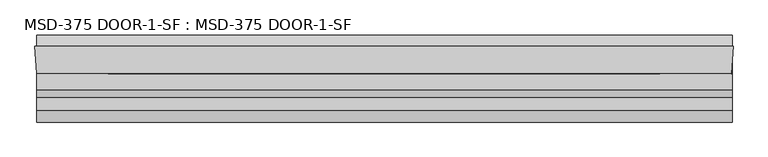
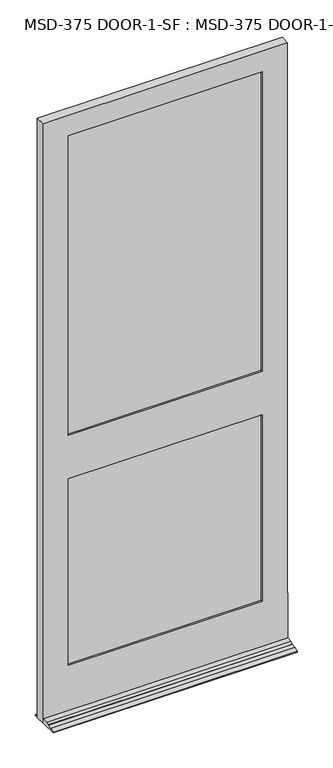
"""IFC4 building model written with IfcOpenShell, lengths in millimetres: plate geometry, MSD-375 DOOR-1-SF : MSD-375 DOOR-1-SF."""

from ifc_helpers import new_model, si_unit, frame, origin, place, context, project, spatial, polyline, outline, extrude, faceted_brep, source, transform, mapped, element, save


def msd_375_door_1_sf_msd_375_door_1_sf_599fe307(model_context):
    return source(origin(), model_context, "Body", "SolidModel", [
        faceted_brep([(570.0312544, 1.8752528, 0.0), (571.4351971, 1.8752528, 0.0), (570.0312544, -20.6651106, 0.0), (570.0312544, -121.9497472, 0.0), (-575.0812644, -121.9497472, 0.0), (-575.0812644, -42.5747472, 0.0), (-577.8498644, 1.8752528, 0.0), (-575.0812644, 1.8752528, 0.0), (-575.0812644, 20.9252528, 0.0), (570.0312544, 20.9252528, 0.0), (570.0312544, -35.1325472, 226.2251), (570.0312544, -35.1325472, 246.0625), (570.0312544, -42.5747472, 246.0625), (570.0312544, -42.5747472, 21.4376), (570.0312544, -68.4446472, 21.4376), (570.0312544, -80.8652472, 14.2748), (570.0312544, -80.8652472, 12.7), (570.0312544, -102.8997472, 12.7), (570.0312544, -121.9497472, 3.175), (570.0312544, -20.6651106, 226.2251), (570.0312544, 20.9252528, 3.175), (570.0312544, 1.8752528, 12.7), (-575.0812644, 1.8752528, 12.7), (-575.0812644, 20.9252528, 3.175), (-575.0812644, -121.9497472, 3.175), (-575.0812644, -102.8997472, 12.7), (-575.0812644, -80.8652472, 12.7), (-575.0812644, -80.8652472, 14.2748), (-575.0812644, -68.4446472, 21.4376), (-575.0812644, -42.5747472, 21.4376), (571.4351971, 1.8752528, 2971.7168046), (-577.8498644, 1.8752528, 2971.7168046), (-457.1998644, 1.8752528, 1169.9748), (-457.1998644, 1.8752528, 246.0625), (450.7851971, 1.8752528, 246.0625), (450.7851971, 1.8752528, 1169.9748), (450.7851971, 1.8752528, 2870.1168046), (-457.1998644, 1.8752528, 2870.1168046), (-457.1998644, 1.8752528, 1385.8748), (450.7851971, 1.8752528, 1385.8748), (450.7851971, -9.7325472, 2870.1168046), (-457.1998644, -9.7325472, 2870.1168046), (470.6225971, -9.7325472, 1189.8249), (-477.0372644, -9.7325472, 1189.8249), (-477.0372644, -9.7325472, 226.2251), (470.6225971, -9.7325472, 226.2251), (-457.1998644, -9.7325472, 1169.9748), (450.7851971, -9.7325472, 1169.9748), (450.7851971, -9.7325472, 246.0625), (-457.1998644, -9.7325472, 246.0625), (470.6225971, -9.7325472, 2890.0374), (-477.0372644, -9.7325472, 2890.0374), (-477.0372644, -9.7325472, 1366.0374), (470.6225971, -9.7325472, 1366.0374), (450.7851971, -9.7325472, 1385.8748), (-457.1998644, -9.7325472, 1385.8748), (470.6225971, -35.1325472, 2890.0374), (-477.0372644, -35.1325472, 2890.0374), (569.1301398, -35.1325472, 226.2251), (569.1301398, -35.1325472, 246.0625), (-477.0372644, -35.1325472, 1189.8249), (470.6225971, -35.1325472, 1189.8249), (470.6225971, -35.1325472, 226.2251), (-477.0372644, -35.1325472, 226.2251), (450.7851971, -35.1325472, 1169.9748), (-457.1998644, -35.1325472, 1169.9748), (-457.1998644, -35.1325472, 246.0625), (450.7851971, -35.1325472, 246.0625), (470.6225971, -35.1325472, 1366.0374), (-477.0372644, -35.1325472, 1366.0374), (450.7851971, -35.1325472, 2870.1168046), (-457.1998644, -35.1325472, 2870.1168046), (-457.1998644, -35.1325472, 1385.8748), (450.7851971, -35.1325472, 1385.8748), (450.7851971, -42.5747472, 2870.1168046), (-457.1998644, -42.5747472, 2870.1168046), (568.6665971, -42.5747472, 2971.7168046), (-575.0812644, -42.5747472, 2971.7168046), (568.6665971, -42.5747472, 246.0625), (450.7851971, -42.5747472, 1169.9748), (450.7851971, -42.5747472, 246.0625), (-457.1998644, -42.5747472, 246.0625), (-457.1998644, -42.5747472, 1169.9748), (450.7851971, -42.5747472, 1385.8748), (-457.1998644, -42.5747472, 1385.8748)], [[[0, 1, 2, 3, 4, 5, 6, 7, 8, 9]], [[10, 11, 12, 13, 14, 15, 16, 17, 18, 3, 2, 19]], [[9, 20, 21, 0]], [[22, 23, 8, 7]], [[4, 24, 25, 26, 27, 28, 29, 5]], [[30, 1, 0, 21, 22, 7, 6, 31], [32, 33, 34, 35], [36, 37, 38, 39]], [[36, 40, 41, 37]], [[42, 43, 44, 45], [46, 47, 48, 49]], [[50, 51, 52, 53], [41, 40, 54, 55]], [[50, 56, 57, 51]], [[11, 10, 58, 59]], [[60, 61, 62, 63], [64, 65, 66, 67]], [[57, 56, 68, 69], [70, 71, 72, 73]], [[70, 74, 75, 71]], [[76, 77, 29, 13, 12, 78], [79, 80, 81, 82], [75, 74, 83, 84]], [[76, 30, 31, 77]], [[56, 50, 53, 68]], [[62, 61, 42, 45]], [[74, 70, 73, 83]], [[79, 64, 67, 80]], [[30, 76, 78, 59, 58, 19, 2, 1]], [[40, 36, 39, 54]], [[47, 35, 34, 48]], [[29, 77, 31, 6, 5]], [[71, 75, 84, 72]], [[65, 82, 81, 66]], [[44, 43, 60, 63]], [[51, 57, 69, 52]], [[37, 41, 55, 38]], [[32, 46, 49, 33]], [[39, 38, 55, 54]], [[68, 53, 52, 69]], [[73, 72, 84, 83]], [[65, 64, 79, 82]], [[42, 61, 60, 43]], [[32, 35, 47, 46]], [[10, 19, 58]], [[63, 62, 45, 44]], [[12, 11, 59, 78]], [[67, 66, 81, 80]], [[14, 13, 29, 28]], [[15, 14, 28, 27]], [[16, 15, 27, 26]], [[17, 16, 26, 25]], [[18, 17, 25, 24]], [[3, 18, 24, 4]], [[20, 9, 8, 23]], [[22, 21, 20, 23]], [[34, 33, 49, 48]]]),
        extrude(outline(polyline([(-475.1411446, -9.7325472), (470.00874, -9.7325472), (470.00874, -14.8125472), (-475.1411446, -14.8125472), (-475.1411446, -9.7325472)])), frame((0.0, 0.0, 1366.0374), z_axis=(0.0, 0.0, 1.0), x_axis=(1.0, 0.0, 0.0)), (0.0, 0.0, 1.0), 1524.0),
        extrude(outline(polyline([(470.00874, -24.2105472), (470.00874, -29.2905472), (-475.1411446, -29.2905472), (-475.1411446, -24.2105472), (470.00874, -24.2105472)])), frame((0.0, 0.0, 1366.0374), z_axis=(0.0, 0.0, 1.0), x_axis=(1.0, 0.0, 0.0)), (0.0, 0.0, 1.0), 1524.0),
        extrude(outline(polyline([(-475.1411446, -30.0525472), (470.00874, -30.0525472), (470.00874, -35.1325472), (-475.1411446, -35.1325472), (-475.1411446, -30.0525472)])), frame((0.0, 0.0, 1366.0374), z_axis=(0.0, 0.0, 1.0), x_axis=(1.0, 0.0, 0.0)), (0.0, 0.0, 1.0), 1524.0),
        extrude(outline(polyline([(-477.0372644, -9.7325472), (470.6225971, -9.7325472), (470.6225971, -14.8125472), (-477.0372644, -14.8125472), (-477.0372644, -9.7325472)])), frame((0.0, 0.0, 226.21875), z_axis=(0.0, 0.0, 1.0), x_axis=(1.0, 0.0, 0.0)), (0.0, 0.0, 1.0), 963.60615),
        extrude(outline(polyline([(470.6225971, -24.2105472), (470.6225971, -29.2905472), (-477.0372644, -29.2905472), (-477.0372644, -24.2105472), (470.6225971, -24.2105472)])), frame((0.0, 0.0, 226.21875), z_axis=(0.0, 0.0, 1.0), x_axis=(1.0, 0.0, 0.0)), (0.0, 0.0, 1.0), 963.60615),
        extrude(outline(polyline([(-477.0372644, -30.0525472), (470.6225971, -30.0525472), (470.6225971, -35.1325472), (-477.0372644, -35.1325472), (-477.0372644, -30.0525472)])), frame((0.0, 0.0, 226.21875), z_axis=(0.0, 0.0, 1.0), x_axis=(1.0, 0.0, 0.0)), (0.0, 0.0, 1.0), 963.60615),
    ])


if __name__ == "__main__":
    model = new_model("IFC4")
    model_context = context("Model", 3, world=origin())
    ifc_project = project(units=[si_unit("LENGTHUNIT", "METRE", prefix="MILLI")], contexts=[model_context])
    site = spatial("IfcSite", under=ifc_project)
    building = spatial("IfcBuilding", under=site)
    placement = place(None, origin())
    msd_375_door_1_sf_msd_375_door_1_sf_shape = msd_375_door_1_sf_msd_375_door_1_sf_599fe307(model_context)
    element("IfcPlate", 1, ObjectType="MSD-375 DOOR-1-SF : MSD-375 DOOR-1-SF", at=placement, inside=building, context=model_context, shape_type="MappedRepresentation", body=[
        mapped(msd_375_door_1_sf_msd_375_door_1_sf_shape, transform((0.0, 0.0, 0.0), x_axis=(1.0, 0.0, 0.0), y_axis=(0.0, 1.0, 0.0), z_axis=(0.0, 0.0, 1.0))),
    ])
    save(model, "model.ifc")
